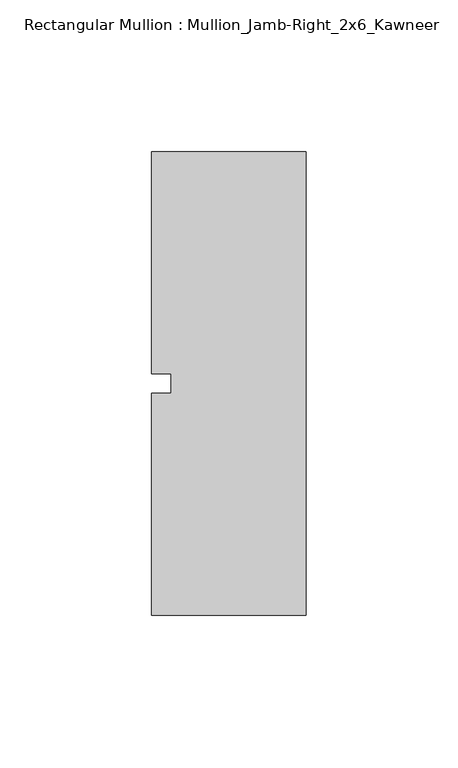
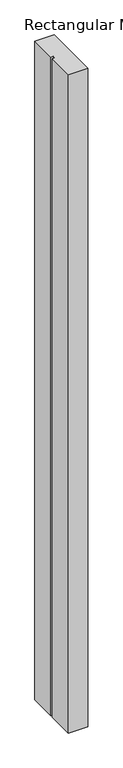
"""IFC4 building model written with IfcOpenShell, lengths in millimetres: member geometry, Rectangular Mullion : Mullion_Jamb-Right_2x6_Kawneer."""

from ifc_helpers import new_model, si_unit, frame, origin, place, context, project, spatial, polyline, outline, extrude, source, transform, mapped, element, save


def rectangular_mullion_mullion_jamb_right_2x6_kawneer_8b9725b6(model_context):
    return source(origin(), model_context, "Body", "SweptSolid", [
        extrude(outline(polyline([(-50.8, 76.2), (0.0, 76.2), (0.0, -76.2), (-50.8, -76.2), (-50.8, -3.175), (-44.45, -3.175), (-44.45, 3.175), (-50.8, 3.175), (-50.8, 76.2)])), frame((0.0, 0.0, -1828.8), z_axis=(0.0, 0.0, 1.0), x_axis=(1.0, 0.0, 0.0)), (0.0, 0.0, 1.0), 1828.8),
    ])


if __name__ == "__main__":
    model = new_model("IFC4")
    model_context = context("Model", 3, world=origin())
    ifc_project = project(units=[si_unit("LENGTHUNIT", "METRE", prefix="MILLI")], contexts=[model_context])
    site = spatial("IfcSite", under=ifc_project)
    building = spatial("IfcBuilding", under=site)
    placement = place(None, origin())
    rectangular_mullion_mullion_jamb_right_2x6_kawneer_shape = rectangular_mullion_mullion_jamb_right_2x6_kawneer_8b9725b6(model_context)
    element("IfcMember", 1, ObjectType="Rectangular Mullion : Mullion_Jamb-Right_2x6_Kawneer", at=placement, inside=building, context=model_context, shape_type="MappedRepresentation", body=[
        mapped(rectangular_mullion_mullion_jamb_right_2x6_kawneer_shape, transform((0.0, 0.0, 0.0), x_axis=(1.0, 0.0, 0.0), y_axis=(0.0, 1.0, 0.0), z_axis=(0.0, 0.0, 1.0))),
    ])
    save(model, "model.ifc")
